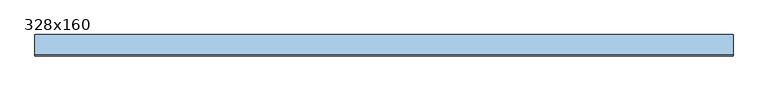
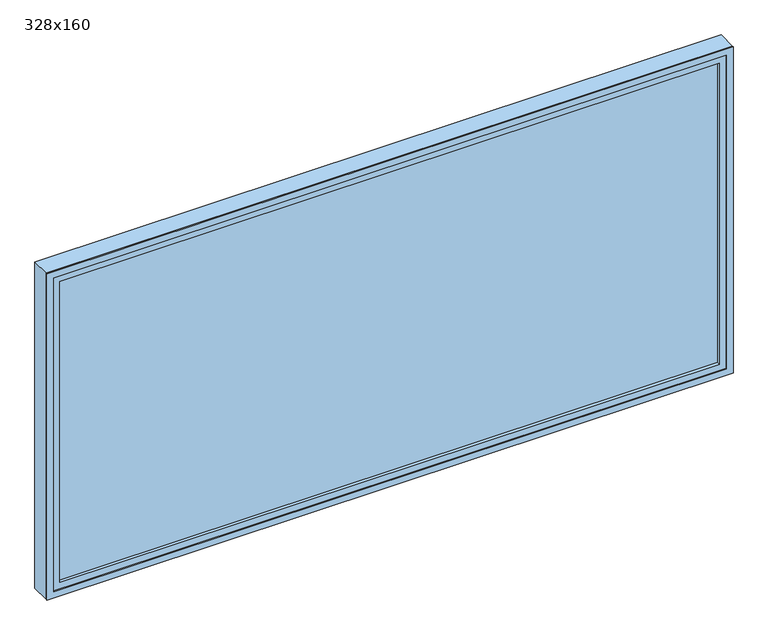
"""IFC4 building model written with IfcOpenShell, lengths in millimetres: window geometry, 328x160."""

from ifc_helpers import new_model, si_unit, frame, origin, place, context, project, spatial, polyline, outline, extrude, source, transform, mapped, element, save


def window_328x160_810ac5c8(model_context):
    return source(origin(), model_context, "Body", "SweptSolid", [
        extrude(outline(polyline([(1538.4, -28.575), (-1614.6, -28.575), (-1614.6, -15.875), (1538.4, -15.875), (1538.4, -28.575)])), frame((0.0, 0.0, 977.9), z_axis=(0.0, 0.0, 1.0), x_axis=(1.0, 0.0, 0.0)), (0.0, 0.0, 1.0), 1523.0),
        extrude(outline(polyline([(2545.35, -1659.05), (933.45, -1659.05), (933.45, 1582.85), (2545.35, 1582.85), (2545.35, -1659.05)]), holes=[polyline([(2500.9, -1614.6), (2500.9, 1538.4), (977.9, 1538.4), (977.9, -1614.6), (2500.9, -1614.6)])]), frame((0.0, -44.45, 0.0), z_axis=(0.0, 1.0, 0.0), x_axis=(0.0, 0.0, 1.0)), (0.0, 0.0, 1.0), 44.45),
        extrude(outline(polyline([(2564.4, -1678.1), (914.4, -1678.1), (914.4, 1601.9), (2564.4, 1601.9), (2564.4, -1678.1)]), holes=[polyline([(2532.65, -1646.35), (2532.65, 1570.15), (946.15, 1570.15), (946.15, -1646.35), (2532.65, -1646.35)])]), frame((0.0, -50.0, 0.0), z_axis=(0.0, 1.0, 0.0), x_axis=(0.0, 0.0, 1.0)), (0.0, 0.0, 1.0), 5.55),
        extrude(outline(polyline([(2564.4, 1601.9), (2564.4, -1678.1), (914.4, -1678.1), (914.4, 1601.9), (2564.4, 1601.9)]), holes=[polyline([(2545.35, 1582.85), (933.45, 1582.85), (933.45, -1659.05), (2545.35, -1659.05), (2545.35, 1582.85)])]), frame((0.0, -44.45, 0.0), z_axis=(0.0, 1.0, 0.0), x_axis=(0.0, 0.0, 1.0)), (0.0, 0.0, 1.0), 94.45),
    ])


if __name__ == "__main__":
    model = new_model("IFC4")
    model_context = context("Model", 3, world=origin())
    ifc_project = project(units=[si_unit("LENGTHUNIT", "METRE", prefix="MILLI")], contexts=[model_context])
    site = spatial("IfcSite", under=ifc_project)
    building = spatial("IfcBuilding", under=site)
    placement = place(None, origin())
    window_328x160_shape = window_328x160_810ac5c8(model_context)
    element("IfcWindow", 1, ObjectType="328x160", at=placement, inside=building, context=model_context, shape_type="MappedRepresentation", body=[
        mapped(window_328x160_shape, transform((0.0, 0.0, 0.0), x_axis=(1.0, 0.0, 0.0), y_axis=(0.0, 1.0, 0.0), z_axis=(0.0, 0.0, 1.0))),
    ])
    save(model, "model.ifc")
